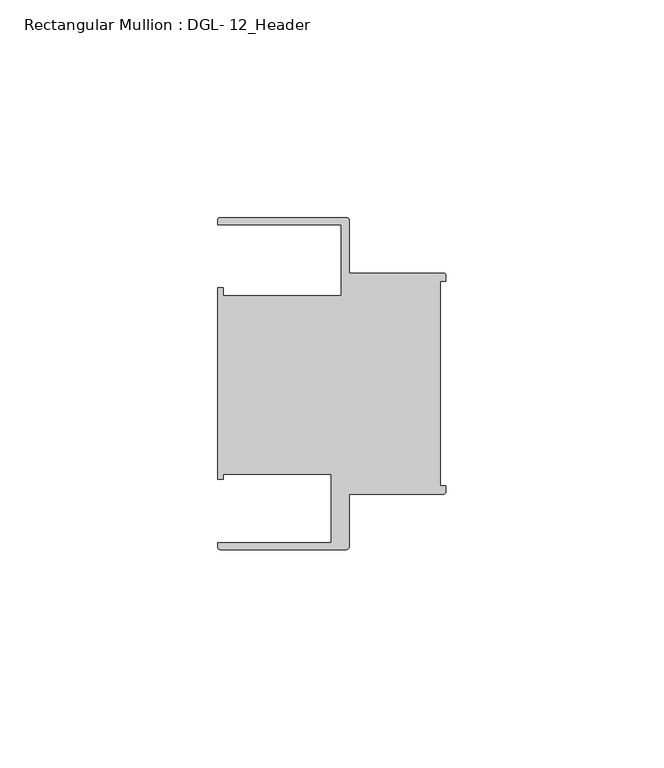
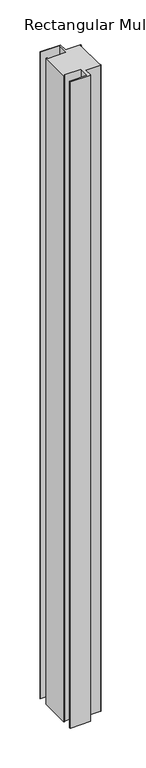
"""IFC4 building model written with IfcOpenShell, lengths in millimetres: member geometry, Rectangular Mullion : DGL- 12_Header."""

from ifc_helpers import new_model, si_unit, point, frame, frame_2d, origin, place, context, project, spatial, polyline, circle_curve, trimmed, segment, composite_curve, outline, extrude, source, transform, mapped, element, save


def rectangular_mullion_dgl_12_header_41a0936c(model_context):
    return source(origin(), model_context, "Body", "SweptSolid", [
        extrude(outline(composite_curve([segment(trimmed(circle_curve(frame_2d((-0.5953125, 24.8046875)), 0.5953125), [point((-0.5953125, 25.4))], [point((0.0, 24.8046875))], False, "CARTESIAN"), True, "CONTINUOUS"), segment(polyline([(0.0, 24.8046875), (0.0, 23.4882401), (-1.30175, 23.4882401), (-1.30175, -23.4882401), (0.0, -23.4882401), (0.0, -24.8046875)]), True, "CONTINUOUS"), segment(trimmed(circle_curve(frame_2d((-0.5953125, -24.8046875)), 0.5953125), [point((0.0, -24.8046875))], [point((-0.5953125, -25.4))], False, "CARTESIAN"), True, "CONTINUOUS"), segment(polyline([(-0.5953125, -25.4), (-22.2332076, -25.4), (-22.2332076, -37.5047035)]), True, "CONTINUOUS"), segment(trimmed(circle_curve(frame_2d((-22.8285201, -37.5047035)), 0.5953125), [point((-22.2332076, -37.5047035))], [point((-22.8285201, -38.100016))], False, "CARTESIAN"), True, "CONTINUOUS"), segment(polyline([(-22.8285201, -38.100016), (-51.7968699, -38.100016)]), True, "CONTINUOUS"), segment(trimmed(circle_curve(frame_2d((-51.7968699, -37.5047035)), 0.5953125), [point((-51.7968699, -38.100016))], [point((-52.3921824, -37.5047035))], False, "CARTESIAN"), True, "CONTINUOUS"), segment(polyline([(-52.3921824, -37.5047035), (-52.3921824, -36.512516), (-26.3720794, -36.512516), (-26.3720794, -20.8257348), (-51.1280305, -20.8257348), (-51.1280305, -21.9710976), (-52.3948122, -21.9710976), (-52.3948122, 21.9710976), (-51.1280305, 21.9710976), (-51.1280305, 20.1823589), (-24.0747075, 20.1823589), (-24.0747075, 36.5123462), (-52.3921824, 36.5123462), (-52.3921824, 37.5043667)]), True, "CONTINUOUS"), segment(trimmed(circle_curve(frame_2d((-51.7968699, 37.5043667)), 0.5953125), [point((-52.3921824, 37.5043667))], [point((-51.7968699, 38.0996792))], False, "CARTESIAN"), True, "CONTINUOUS"), segment(polyline([(-51.7968699, 38.0996792), (-22.8285201, 38.0996792)]), True, "CONTINUOUS"), segment(trimmed(circle_curve(frame_2d((-22.8285201, 37.5043667)), 0.5953125), [point((-22.8285201, 38.0996792))], [point((-22.2332076, 37.5043667))], False, "CARTESIAN"), True, "CONTINUOUS"), segment(polyline([(-22.2332076, 37.5043667), (-22.2332076, 25.4), (-0.5953125, 25.4)]), True, "CONTINUOUS")], self_intersect=False)), frame((0.0, 0.0, -990.4682137), z_axis=(0.0, 0.0, 1.0), x_axis=(1.0, 0.0, 0.0)), (0.0, 0.0, 1.0), 990.4682137),
    ])


if __name__ == "__main__":
    model = new_model("IFC4")
    model_context = context("Model", 3, world=origin())
    ifc_project = project(units=[si_unit("LENGTHUNIT", "METRE", prefix="MILLI")], contexts=[model_context])
    site = spatial("IfcSite", under=ifc_project)
    building = spatial("IfcBuilding", under=site)
    placement = place(None, origin())
    rectangular_mullion_dgl_12_header_shape = rectangular_mullion_dgl_12_header_41a0936c(model_context)
    element("IfcMember", 1, ObjectType="Rectangular Mullion : DGL- 12_Header", at=placement, inside=building, context=model_context, shape_type="MappedRepresentation", body=[
        mapped(rectangular_mullion_dgl_12_header_shape, transform((0.0, 0.0, 0.0), x_axis=(1.0, 0.0, 0.0), y_axis=(0.0, 1.0, 0.0), z_axis=(0.0, 0.0, 1.0))),
    ])
    save(model, "model.ifc")
